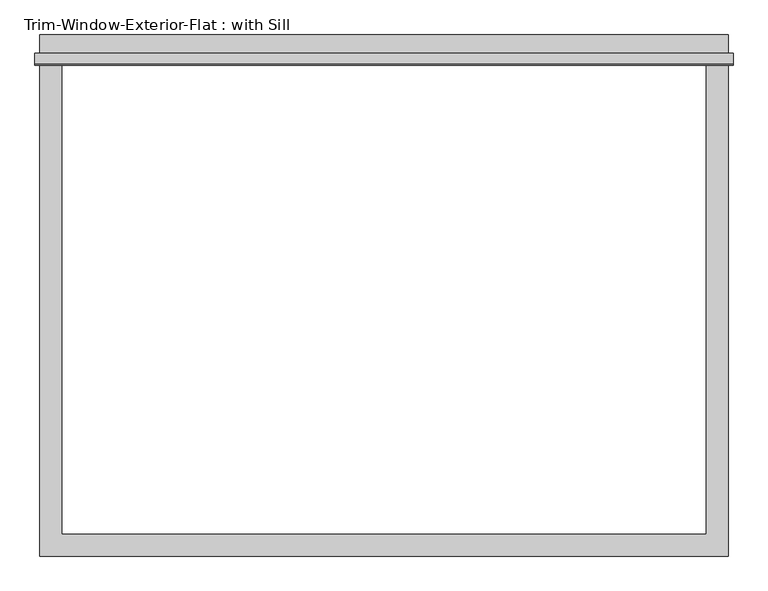
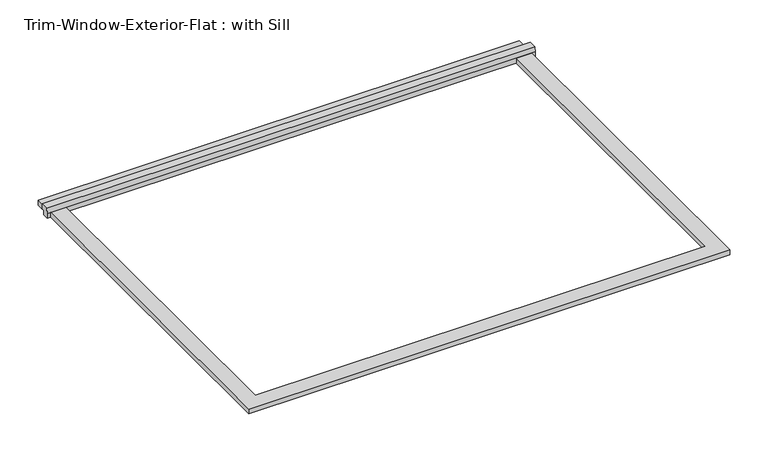
"""IFC4 building model written with IfcOpenShell, lengths in millimetres: proxy geometry, Trim-Window-Exterior-Flat : with Sill."""

from ifc_helpers import new_model, si_unit, frame, origin, origin_with_axes, place, context, project, spatial, polyline, outline, extrude, source, transform, mapped, element, save


def trim_window_exterior_flat_with_sill_44f39a1c(model_context):
    return source(origin(), model_context, "Body", "SweptSolid", [
        extrude(outline(polyline([(895.35, 1241.3823709), (-895.35, 1241.3823709), (-895.35, 1298.5323709), (895.35, 1298.5323709), (895.35, 1241.3823709)])), origin_with_axes(), (0.0, 0.0, 1.0), 19.05),
        extrude(outline(polyline([(1250.95, 38.1), (1250.95, 19.05), (1241.3823709, 19.05), (1241.3823709, 0.0), (1219.2, 0.0), (1219.2, 19.05), (1221.6580645, 38.1), (1250.95, 38.1)])), frame((-908.05, 0.0, 0.0), z_axis=(1.0, 0.0, 0.0), x_axis=(0.0, 1.0, 0.0)), (0.0, 0.0, 1.0), 1816.1),
        extrude(outline(polyline([(-895.35, -57.15), (-895.35, 1219.2), (-838.2, 1219.2), (-838.2, 0.0), (838.2, 0.0), (838.2, 1219.2), (895.35, 1219.2), (895.35, -57.15), (-895.35, -57.15)])), origin_with_axes(), (0.0, 0.0, 1.0), 19.05),
    ])


if __name__ == "__main__":
    model = new_model("IFC4")
    model_context = context("Model", 3, world=origin())
    ifc_project = project(units=[si_unit("LENGTHUNIT", "METRE", prefix="MILLI")], contexts=[model_context])
    site = spatial("IfcSite", under=ifc_project)
    building = spatial("IfcBuilding", under=site)
    placement = place(None, origin())
    trim_window_exterior_flat_with_sill_shape = trim_window_exterior_flat_with_sill_44f39a1c(model_context)
    element("IfcBuildingElementProxy", 1, Name="Trim-Window-Exterior-Flat : with Sill", ObjectType="Trim-Window-Exterior-Flat : with Sill", at=placement, inside=building, context=model_context, shape_type="MappedRepresentation", body=[
        mapped(trim_window_exterior_flat_with_sill_shape, transform((0.0, 0.0, 0.0), x_axis=(1.0, 0.0, 0.0), y_axis=(0.0, 1.0, 0.0), z_axis=(0.0, 0.0, 1.0))),
    ])
    save(model, "model.ifc")
